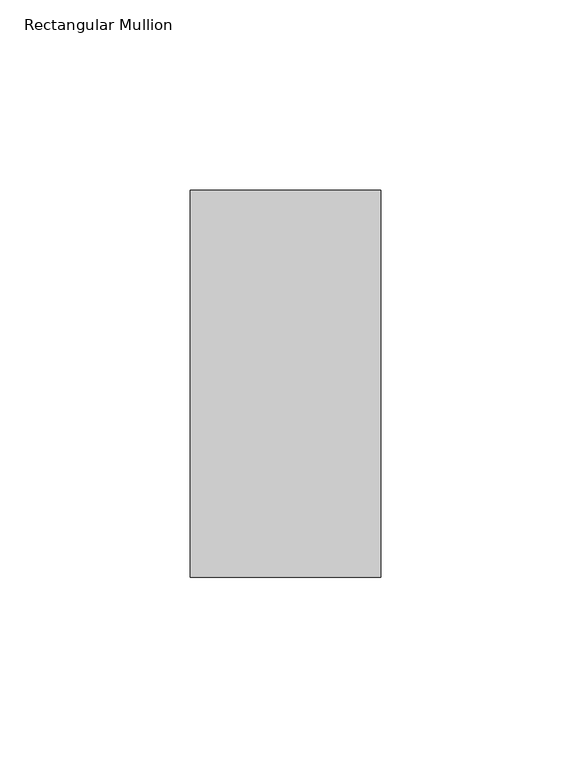
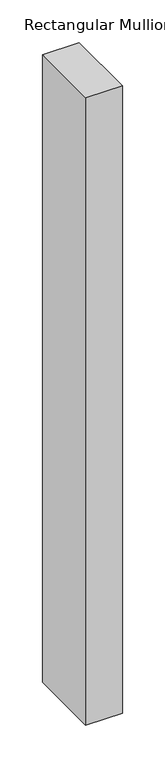
"""IFC4 building model written with IfcOpenShell, lengths in millimetres: member geometry, Rectangular Mullion."""

from ifc_helpers import new_model, si_unit, frame, origin, place, context, project, spatial, polyline, outline, extrude, source, transform, mapped, element, save


def rectangular_mullion_ad1174fb(model_context):
    return source(origin(), model_context, "Body", "SweptSolid", [
        extrude(outline(polyline([(25.0, 50.8), (25.0, -50.8), (-25.0, -50.8), (-25.0, 50.8), (25.0, 50.8)])), frame((0.0, 0.0, -900.0), z_axis=(0.0, 0.0, 1.0), x_axis=(1.0, 0.0, 0.0)), (0.0, 0.0, 1.0), 900.0),
    ])


if __name__ == "__main__":
    model = new_model("IFC4")
    model_context = context("Model", 3, world=origin())
    ifc_project = project(units=[si_unit("LENGTHUNIT", "METRE", prefix="MILLI")], contexts=[model_context])
    site = spatial("IfcSite", under=ifc_project)
    building = spatial("IfcBuilding", under=site)
    placement = place(None, origin())
    rectangular_mullion_shape = rectangular_mullion_ad1174fb(model_context)
    element("IfcMember", 1, ObjectType="Rectangular Mullion", at=placement, inside=building, context=model_context, shape_type="MappedRepresentation", body=[
        mapped(rectangular_mullion_shape, transform((0.0, 0.0, 0.0), x_axis=(1.0, 0.0, 0.0), y_axis=(0.0, 1.0, 0.0), z_axis=(0.0, 0.0, 1.0))),
    ])
    save(model, "model.ifc")
